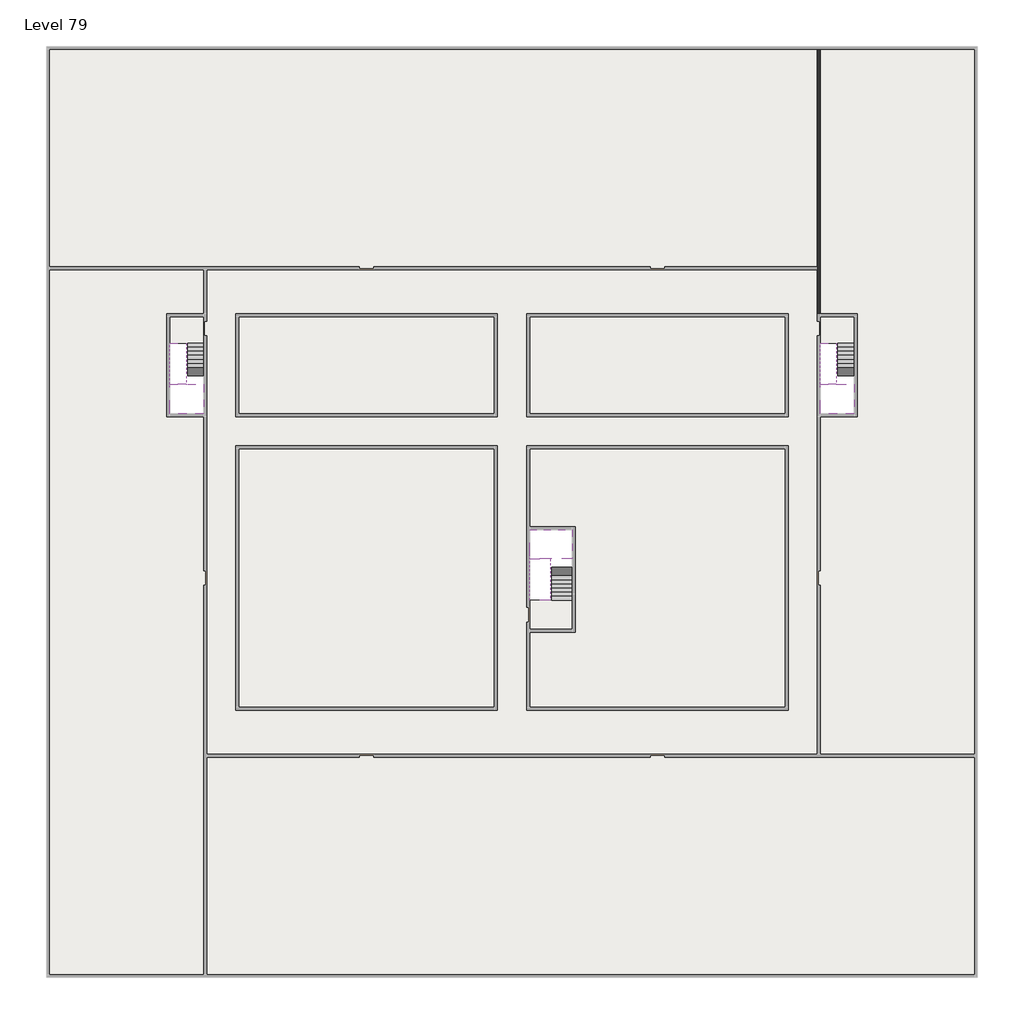
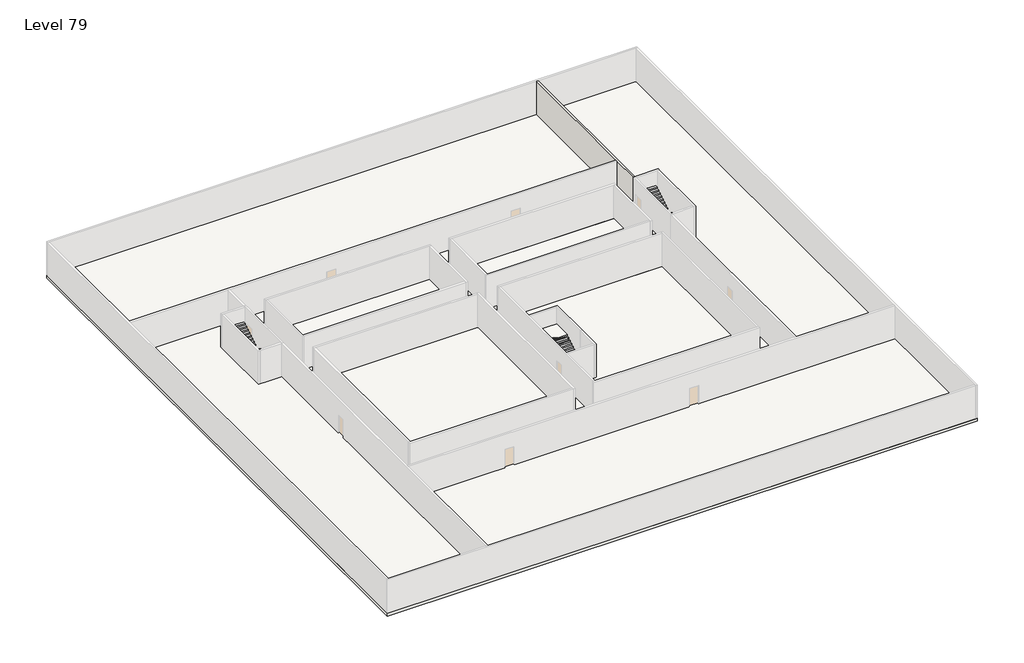
# One storey, part 2 of 2: 6 slabs, 6 stair flights, 1 wall.
"""IFC4 building model written with IfcOpenShell, lengths in millimetres."""

import ifcopenshell
import ifcopenshell.guid

model = None  # the IFC model being written
_history = None  # IfcOwnerHistory: only IFC2X3 demands one
_inside = {}  # id of a spatial element -> (the spatial element, [elements in it])
_under = {}  # id of a project, library or spatial element -> (it, [spatial elements below it])
_declared = {}  # id of a project -> (the project, [libraries it declares])
_typed = {}  # id of a type object -> (the type object, [elements of that type])
_made_of = {}  # id of a material, layer set ... -> (it, [elements and type objects made of it])


def new_model(schema):
    """Start an empty IFC model of exactly this schema.

    Asked for "IFC4X3", IfcOpenShell would pick the latest addendum, in which some entities
    have other attributes; the version numbers below select the first issue.
    IFC2X3 requires an IfcOwnerHistory on every rooted entity: one is made here for all.
    """
    global model, _history
    if schema == "IFC4X3":
        model = ifcopenshell.file(schema_version=(4, 3, 0, 0))
    else:
        model = ifcopenshell.file(schema=schema)
    _inside.clear()
    _under.clear()
    _declared.clear()
    _typed.clear()
    _made_of.clear()
    _history = None
    if model.schema == "IFC2X3":
        org = make("IfcOrganization", Name="unknown")
        user = make(
            "IfcPersonAndOrganization",
            ThePerson=make("IfcPerson", FamilyName="unknown"),
            TheOrganization=org,
        )
        app = make(
            "IfcApplication",
            ApplicationDeveloper=org,
            Version="unknown",
            ApplicationFullName="unknown",
            ApplicationIdentifier="unknown",
        )
        _history = make(
            "IfcOwnerHistory",
            OwningUser=user,
            OwningApplication=app,
            ChangeAction="ADDED",
            CreationDate=0,
        )
    return model


def make(cls, **values):
    """One entity of the class cls with the attributes given. An attribute that is None is left unset."""
    return model.create_entity(
        cls, **{name: value for name, value in values.items() if value is not None}
    )


def rooted(cls, **values):
    """An entity with a GlobalId (a new one), such as an element, a storey or a relation."""
    return make(cls, GlobalId=ifcopenshell.guid.new(), OwnerHistory=_history, **values)


def si_unit(unit_type, name, prefix=None):
    """IfcSIUnit, for example si_unit("LENGTHUNIT", "METRE", prefix="MILLI")."""
    return make("IfcSIUnit", UnitType=unit_type, Prefix=prefix, Name=name)


def assignment(units):
    """IfcUnitAssignment: the units of a project."""
    return None if units is None else make("IfcUnitAssignment", Units=units)


def point(xyz):
    """IfcCartesianPoint."""
    return None if xyz is None else make("IfcCartesianPoint", Coordinates=xyz)


def direction(xyz):
    """IfcDirection."""
    return None if xyz is None else make("IfcDirection", DirectionRatios=xyz)


def frame(location, z_axis=None, x_axis=None):
    """IfcAxis2Placement3D, a coordinate frame: its origin and axes. An axis left out is left unset."""
    return make(
        "IfcAxis2Placement3D",
        Location=point(location),
        Axis=direction(z_axis),
        RefDirection=direction(x_axis),
    )


def origin():
    """The frame at (0, 0, 0) with its axes left unset."""
    return frame((0.0, 0.0, 0.0))


def place(relative_to, where):
    """IfcLocalPlacement: puts the frame where relative to a parent placement (None: the world)."""
    return make(
        "IfcLocalPlacement", PlacementRelTo=relative_to, RelativePlacement=where
    )


def context(
    kind, dimensions, precision=None, world=None, true_north=None, identifier=None
):
    """IfcGeometricRepresentationContext, for example the 3D "Model" context."""
    return make(
        "IfcGeometricRepresentationContext",
        ContextIdentifier=identifier,
        ContextType=kind,
        CoordinateSpaceDimension=dimensions,
        Precision=precision,
        WorldCoordinateSystem=world,
        TrueNorth=true_north,
    )


def project(units=None, contexts=None):
    """IfcProject with its units and contexts."""
    return rooted(
        "IfcProject",
        Name="project",
        RepresentationContexts=contexts,
        UnitsInContext=assignment(units),
    )


def spatial(cls, under=None, at=None, **own):
    """A site, building, storey or space (cls), placed at a placement, below another one or the project."""
    s = rooted(cls, ObjectPlacement=at, **own)
    if under is not None:
        _under.setdefault(under.id(), (under, []))[1].append(s)
    return s


def polyline(points):
    """IfcPolyline through the points."""
    return make("IfcPolyline", Points=[point(p) for p in points])


def outline(outer, holes=None, kind="AREA"):
    """IfcArbitraryClosedProfileDef: a profile drawn as a closed curve; with holes, ...WithVoids."""
    if holes is None:
        return make("IfcArbitraryClosedProfileDef", ProfileType=kind, OuterCurve=outer)
    return make(
        "IfcArbitraryProfileDefWithVoids",
        ProfileType=kind,
        OuterCurve=outer,
        InnerCurves=holes,
    )


def extrude(swept, where, along, depth):
    """IfcExtrudedAreaSolid: the profile swept, set in the frame where, extruded along a direction by depth."""
    return make(
        "IfcExtrudedAreaSolid",
        SweptArea=swept,
        Position=where,
        ExtrudedDirection=direction(along),
        Depth=depth,
    )


def faces_of(points, faces, orient=None, outer=None):
    """IfcFace entities. A face is a list of loops; a loop is a list of indices into points, from 0.

    orient and outer hold one flag for each loop. By default every Orientation is true, the
    first loop of a face is its IfcFaceOuterBound and the others are IfcFaceBound.
    """
    made = []
    for i, loops in enumerate(faces):
        bounds = []
        for j, loop in enumerate(loops):
            is_outer = j == 0 if outer is None else outer[i][j]
            bounds.append(
                make(
                    "IfcFaceOuterBound" if is_outer else "IfcFaceBound",
                    Bound=make("IfcPolyLoop", Polygon=[points[k] for k in loop]),
                    Orientation=True if orient is None else orient[i][j],
                )
            )
        made.append(make("IfcFace", Bounds=bounds))
    return made


def faceted_brep(points, faces, orient=None, outer=None, voids=None):
    """IfcFacetedBrep: a solid bounded by flat faces; with voids (closed shells), ...WithVoids."""
    shared = [point(p) for p in points]
    hull = make("IfcClosedShell", CfsFaces=faces_of(shared, faces, orient, outer))
    if voids is None:
        return make("IfcFacetedBrep", Outer=hull)
    return make(
        "IfcFacetedBrepWithVoids",
        Outer=hull,
        Voids=[
            make(cls, CfsFaces=faces_of(shared, fs, o, b)) for cls, fs, o, b in voids
        ],
    )


def shape(context_of_items, identifier, shape_type, items):
    """IfcShapeRepresentation: the items that make up one representation, for example the "Body"."""
    return make(
        "IfcShapeRepresentation",
        ContextOfItems=context_of_items,
        RepresentationIdentifier=identifier,
        RepresentationType=shape_type,
        Items=items,
    )


def made_of(thing, what):
    """Note that an element or type object is made of a material, layer set ...; save() writes the relation."""
    if what is not None:
        _made_of.setdefault(what.id(), (what, []))[1].append(thing)
    return thing


def element(
    cls,
    number,
    at=None,
    inside=None,
    cuts=None,
    type_object=None,
    material=None,
    context=None,
    identifier="Body",
    shape_type=None,
    held_by="IfcProductDefinitionShape",
    body=None,
    shapes=None,
    **own,
):
    """One element of the class cls, such as IfcWall. Its Tag is "e" and its number.

    at: its placement. inside: the storey or other place that contains it. cuts: it is an
    opening in that element (IfcRelVoidsElement). A single representation is given by context,
    identifier, shape_type and body (its items); several are given by shapes. held_by: the class
    of the entity that holds the representations. save() writes the other relations.
    """
    e = rooted(cls, Tag="e%d" % number, ObjectPlacement=at, **own)
    if body is not None:
        shapes = [shape(context, identifier, shape_type, body)]
    if shapes is not None:
        e.Representation = make(held_by, Representations=shapes)
    if inside is not None:
        _inside.setdefault(inside.id(), (inside, []))[1].append(e)
    if cuts is not None:
        rooted(
            "IfcRelVoidsElement", RelatingBuildingElement=cuts, RelatedOpeningElement=e
        )
    if type_object is not None:
        _typed.setdefault(type_object.id(), (type_object, []))[1].append(e)
    return made_of(e, material)


def aggregate(whole, parts):
    """IfcRelAggregates: a whole, such as a stair, and the parts it consists of."""
    return rooted("IfcRelAggregates", RelatingObject=whole, RelatedObjects=parts)


def save(model, path):
    """Write the relations noted so far, then the file.

    IfcRelAggregates (storeys below a building ...), IfcRelContainedInSpatialStructure (elements
    in a storey), IfcRelDefinesByType, IfcRelAssociatesMaterial and IfcRelDeclares: one each for
    every whole, place, type object, material and project.
    """
    for whole, parts in _under.values():
        aggregate(whole, parts)
    for where, things in _inside.values():
        rooted(
            "IfcRelContainedInSpatialStructure",
            RelatedElements=things,
            RelatingStructure=where,
        )
    for kind, things in _typed.values():
        rooted("IfcRelDefinesByType", RelatedObjects=things, RelatingType=kind)
    for what, things in _made_of.values():
        rooted("IfcRelAssociatesMaterial", RelatedObjects=things, RelatingMaterial=what)
    for by, libraries in _declared.values():
        rooted("IfcRelDeclares", RelatingContext=by, RelatedDefinitions=libraries)
    model.write(path)


model = new_model("IFC4")

# Units and contexts
model_context = context("Model", 3, world=origin())
ifc_project = project(units=[si_unit("LENGTHUNIT", "METRE", prefix="MILLI")], contexts=[model_context])

# Site, building, storey
site = spatial("IfcSite", under=ifc_project)
building = spatial("IfcBuilding", under=site)
storey = spatial("IfcBuildingStorey", under=building, Name="Level 79", Elevation=296400.0)

# Slabs
placement = place(None, origin())
element("IfcSlab", 1, at=placement, inside=storey, context=model_context, shape_type="SweptSolid", body=[
    extrude(outline(polyline([(55890.1058784, -5518.09644), (55890.1058784, -68918.09644), (-7509.8941216, -68918.09644), (-7509.8941216, -5518.09644), (55890.1058784, -5518.09644)]), holes=[polyline([(22990.1058784, -23918.09644), (5590.1058784, -23918.09644), (5590.1058784, -30518.09644), (22990.1058784, -30518.09644), (22990.1058784, -23918.09644)]), polyline([(42990.1058784, -23918.09644), (25390.1058784, -23918.09644), (25390.1058784, -30518.09644), (42990.1058784, -30518.09644), (42990.1058784, -23918.09644)]), polyline([(25390.1058784, -50518.09644), (42790.1058784, -50518.09644), (42790.1058784, -32918.09644), (25390.1058784, -32918.09644), (25390.1058784, -50518.09644)]), polyline([(22990.1058784, -32918.09644), (5590.1058784, -32918.09644), (5590.1058784, -50518.09644), (22990.1058784, -50518.09644), (22990.1058784, -32918.09644)]), polyline([(3190.1058784, -23918.09644), (890.1058784, -23918.09644), (890.1058784, -30518.09644), (3190.1058784, -30518.09644), (3190.1058784, -23918.09644)]), polyline([(47490.1058784, -23918.09644), (45190.1058784, -23918.09644), (45190.1058784, -30518.09644), (47490.1058784, -30518.09644), (47490.1058784, -23918.09644)])]), frame((0.0, 0.0, 296100.0), z_axis=(0.0, 0.0, 1.0), x_axis=(1.0, 0.0, 0.0)), (0.0, 0.0, 1.0), 300.0),
])
element("IfcSlab", 2, at=placement, inside=storey, context=model_context, shape_type="SweptSolid", body=[
    extrude(outline(polyline([(22990.1058784, -23918.09644), (22990.1058784, -30518.09644), (5590.1058784, -30518.09644), (5590.1058784, -23918.09644), (22990.1058784, -23918.09644)])), frame((0.0, 0.0, 296100.0), z_axis=(0.0, 0.0, 1.0), x_axis=(1.0, 0.0, 0.0)), (0.0, 0.0, 1.0), 300.0),
    extrude(outline(polyline([(42990.1058784, -23918.09644), (42990.1058784, -30518.09644), (25390.1058784, -30518.09644), (25390.1058784, -23918.09644), (42990.1058784, -23918.09644)])), frame((0.0, 0.0, 296100.0), z_axis=(0.0, 0.0, 1.0), x_axis=(1.0, 0.0, 0.0)), (0.0, 0.0, 1.0), 300.0),
    extrude(outline(polyline([(22990.1058784, -32918.09644), (22990.1058784, -50518.09644), (5590.1058784, -50518.09644), (5590.1058784, -32918.09644), (22990.1058784, -32918.09644)])), frame((0.0, 0.0, 296100.0), z_axis=(0.0, 0.0, 1.0), x_axis=(1.0, 0.0, 0.0)), (0.0, 0.0, 1.0), 300.0),
    extrude(outline(polyline([(25390.1058784, -38218.09644), (25390.1058784, -32918.09644), (42790.1058784, -32918.09644), (42790.1058784, -50518.09644), (25390.1058784, -50518.09644), (25390.1058784, -45418.09644), (28490.1058784, -45418.09644), (28490.1058784, -38218.09644), (25390.1058784, -38218.09644)])), frame((0.0, 0.0, 296100.0), z_axis=(0.0, 0.0, 1.0), x_axis=(1.0, 0.0, 0.0)), (0.0, 0.0, 1.0), 300.0),
])
element("IfcSlab", 3, at=placement, inside=storey, context=model_context, shape_type="Brep", body=[
    faceted_brep([(3190.1058784, -28518.09644, 298300.0), (2090.1058784, -28518.09644, 298300.0), (1990.1058784, -28518.09644, 298300.0), (890.1058784, -28518.09644, 298300.0), (890.1058784, -28718.7100038, 298300.0), (890.1058784, -30518.09644, 298300.0), (3190.1058784, -30518.09644, 298300.0), (3190.1058784, -28597.4828763, 298300.0), (3190.1058784, -28518.09644, 298127.2727273), (3190.1058784, -28518.09644, 297951.0278478), (2090.1058784, -28518.09644, 297951.0278478), (2090.1058784, -28518.09644, 298000.0), (1990.1058784, -28518.09644, 298000.0), (1990.1058784, -28518.09644, 298123.7551205), (890.1058784, -28518.09644, 298123.7551205), (890.1058784, -28718.7100038, 298000.0), (890.1058784, -30518.09644, 298000.0), (3190.1058784, -30518.09644, 298000.0), (3190.1058784, -28597.4828763, 298000.0), (1990.1058784, -28718.7100038, 298000.0), (2090.1058784, -28597.4828763, 298000.0)], [[[0, 1, 2, 3, 4, 5, 6, 7]], [[1, 0, 8, 9, 10, 11]], [[2, 1, 11, 12, 13]], [[3, 2, 13, 14]], [[3, 14, 15, 16, 5, 4]], [[6, 5, 16, 17]], [[9, 8, 0, 7, 6, 17, 18]], [[19, 12, 11, 20, 18, 17, 16, 15]], [[12, 19, 13]], [[18, 20, 10, 9]], [[20, 11, 10]], [[19, 15, 14, 13]]]),
])
element("IfcSlab", 4, at=placement, inside=storey, context=model_context, shape_type="Brep", body=[
    faceted_brep([(47490.1058784, -28518.09644, 298300.0), (46390.1058784, -28518.09644, 298300.0), (46290.1058784, -28518.09644, 298300.0), (45190.1058784, -28518.09644, 298300.0), (45190.1058784, -28718.7100038, 298300.0), (45190.1058784, -30518.09644, 298300.0), (47490.1058784, -30518.09644, 298300.0), (47490.1058784, -28597.4828763, 298300.0), (47490.1058784, -28518.09644, 298127.2727273), (47490.1058784, -28518.09644, 297951.0278478), (46390.1058784, -28518.09644, 297951.0278478), (46390.1058784, -28518.09644, 298000.0), (46290.1058784, -28518.09644, 298000.0), (46290.1058784, -28518.09644, 298123.7551205), (45190.1058784, -28518.09644, 298123.7551205), (45190.1058784, -28718.7100038, 298000.0), (45190.1058784, -30518.09644, 298000.0), (47490.1058784, -30518.09644, 298000.0), (47490.1058784, -28597.4828763, 298000.0), (46290.1058784, -28718.7100038, 298000.0), (46390.1058784, -28597.4828763, 298000.0)], [[[0, 1, 2, 3, 4, 5, 6, 7]], [[1, 0, 8, 9, 10, 11]], [[2, 1, 11, 12, 13]], [[3, 2, 13, 14]], [[3, 14, 15, 16, 5, 4]], [[6, 5, 16, 17]], [[9, 8, 0, 7, 6, 17, 18]], [[19, 12, 11, 20, 18, 17, 16, 15]], [[12, 19, 13]], [[18, 20, 10, 9]], [[20, 11, 10]], [[19, 15, 14, 13]]]),
])
element("IfcSlab", 5, at=placement, inside=storey, context=model_context, shape_type="Brep", body=[
    faceted_brep([(26890.1058784, -40418.09644, 298300.0), (28290.1058784, -40418.09644, 298300.0), (28290.1058784, -40338.7100038, 298300.0), (28290.1058784, -38418.09644, 298300.0), (25390.1058784, -38418.09644, 298300.0), (25390.1058784, -40217.4828763, 298300.0), (25390.1058784, -40418.09644, 298300.0), (26790.1058784, -40418.09644, 298300.0), (26890.1058784, -40418.09644, 298000.0), (26890.1058784, -40418.09644, 297951.0278478), (28290.1058784, -40418.09644, 297951.0278478), (28290.1058784, -40418.09644, 298127.2727273), (28290.1058784, -40338.7100038, 298000.0), (28290.1058784, -38418.09644, 298000.0), (25390.1058784, -38418.09644, 298000.0), (25390.1058784, -40217.4828763, 298000.0), (25390.1058784, -40418.09644, 298123.7551205), (26790.1058784, -40418.09644, 298123.7551205), (26790.1058784, -40418.09644, 298000.0), (26790.1058784, -40217.4828763, 298000.0), (26890.1058784, -40338.7100038, 298000.0)], [[[0, 1, 2, 3, 4, 5, 6, 7]], [[1, 0, 8, 9, 10, 11]], [[1, 11, 10, 12, 13, 3, 2]], [[4, 3, 13, 14]], [[4, 14, 15, 16, 6, 5]], [[7, 6, 16, 17]], [[0, 7, 17, 18, 8]], [[18, 19, 15, 14, 13, 12, 20, 8]], [[19, 18, 17]], [[20, 12, 10, 9]], [[8, 20, 9]], [[15, 19, 17, 16]]]),
])
element("IfcSlab", 6, at=placement, inside=storey, context=model_context, shape_type="SweptSolid", body=[
    extrude(outline(polyline([(3190.1058784, -23918.09644), (3190.1058784, -25718.09644), (890.1058784, -25718.09644), (890.1058784, -23918.09644), (3190.1058784, -23918.09644)])), frame((0.0, 0.0, 296100.0), z_axis=(0.0, 0.0, 1.0), x_axis=(1.0, 0.0, 0.0)), (0.0, 0.0, 1.0), 300.0),
    extrude(outline(polyline([(47490.1058784, -23918.09644), (47490.1058784, -25718.09644), (45190.1058784, -25718.09644), (45190.1058784, -23918.09644), (47490.1058784, -23918.09644)])), frame((0.0, 0.0, 296100.0), z_axis=(0.0, 0.0, 1.0), x_axis=(1.0, 0.0, 0.0)), (0.0, 0.0, 1.0), 300.0),
    extrude(outline(polyline([(28290.1058784, -43218.09644), (28290.1058784, -45218.09644), (25390.1058784, -45218.09644), (25390.1058784, -43218.09644), (28290.1058784, -43218.09644)])), frame((0.0, 0.0, 296100.0), z_axis=(0.0, 0.0, 1.0), x_axis=(1.0, 0.0, 0.0)), (0.0, 0.0, 1.0), 300.0),
])

# Stair flights
element("IfcStairFlight", 7, at=placement, inside=storey, context=model_context, shape_type="Brep", body=[
    faceted_brep([(3190.1058784, -25998.09644, 296572.7272727), (3190.1058784, -25718.09644, 296572.7272727), (2090.1058784, -25718.09644, 296572.7272727), (2090.1058784, -25998.09644, 296572.7272727), (3190.1058784, -25998.09644, 296400.0), (3190.1058784, -25718.09644, 296400.0), (2090.1058784, -25718.09644, 296400.0), (2090.1058784, -25998.09644, 296400.0), (3190.1058784, -26278.09644, 296745.4545455), (3190.1058784, -25998.09644, 296745.4545455), (2090.1058784, -25998.09644, 296745.4545455), (2090.1058784, -26278.09644, 296745.4545455), (3190.1058784, -26278.09644, 296569.209666), (3190.1058784, -26003.7986657, 296400.0), (2090.1058784, -26003.7986657, 296400.0), (2090.1058784, -26278.09644, 296569.209666), (3190.1058784, -26558.09644, 296918.1818182), (3190.1058784, -26278.09644, 296918.1818182), (2090.1058784, -26278.09644, 296918.1818182), (2090.1058784, -26558.09644, 296918.1818182), (3190.1058784, -26558.09644, 296741.9369387), (2090.1058784, -26558.09644, 296741.9369387), (3190.1058784, -26838.09644, 297090.9090909), (3190.1058784, -26558.09644, 297090.9090909), (2090.1058784, -26558.09644, 297090.9090909), (2090.1058784, -26838.09644, 297090.9090909), (3190.1058784, -26838.09644, 296914.6642114), (2090.1058784, -26838.09644, 296914.6642114), (3190.1058784, -27118.09644, 297263.6363636), (3190.1058784, -26838.09644, 297263.6363636), (2090.1058784, -26838.09644, 297263.6363636), (2090.1058784, -27118.09644, 297263.6363636), (3190.1058784, -27118.09644, 297087.3914841), (2090.1058784, -27118.09644, 297087.3914841), (3190.1058784, -27398.09644, 297436.3636364), (3190.1058784, -27118.09644, 297436.3636364), (2090.1058784, -27118.09644, 297436.3636364), (2090.1058784, -27398.09644, 297436.3636364), (3190.1058784, -27398.09644, 297260.1187569), (2090.1058784, -27398.09644, 297260.1187569), (3190.1058784, -27678.09644, 297609.0909091), (3190.1058784, -27398.09644, 297609.0909091), (2090.1058784, -27398.09644, 297609.0909091), (2090.1058784, -27678.09644, 297609.0909091), (3190.1058784, -27678.09644, 297432.8460296), (2090.1058784, -27678.09644, 297432.8460296), (3190.1058784, -27958.09644, 297781.8181818), (3190.1058784, -27678.09644, 297781.8181818), (2090.1058784, -27678.09644, 297781.8181818), (2090.1058784, -27958.09644, 297781.8181818), (3190.1058784, -27958.09644, 297605.5733023), (2090.1058784, -27958.09644, 297605.5733023), (3190.1058784, -28238.09644, 297954.5454545), (3190.1058784, -27958.09644, 297954.5454545), (2090.1058784, -27958.09644, 297954.5454545), (2090.1058784, -28238.09644, 297954.5454545), (3190.1058784, -28238.09644, 297778.3005751), (2090.1058784, -28238.09644, 297778.3005751), (3190.1058784, -28518.09644, 298127.2727273), (3190.1058784, -28238.09644, 298127.2727273), (2090.1058784, -28238.09644, 298127.2727273), (2090.1058784, -28518.09644, 298127.2727273), (3190.1058784, -28518.09644, 297951.0278478), (2090.1058784, -28518.09644, 297951.0278478), (2090.1058784, -28518.09644, 298000.0)], [[[0, 1, 2, 3]], [[1, 0, 4, 5]], [[2, 1, 5, 6]], [[3, 2, 6, 7]], [[8, 9, 10, 11]], [[4, 0, 9, 8, 12, 13]], [[0, 3, 10, 9]], [[3, 7, 14, 15, 11, 10]], [[16, 17, 18, 19]], [[17, 16, 20, 12, 8]], [[8, 11, 18, 17]], [[19, 18, 11, 15, 21]], [[22, 23, 24, 25]], [[23, 22, 26, 20, 16]], [[16, 19, 24, 23]], [[25, 24, 19, 21, 27]], [[28, 29, 30, 31]], [[29, 28, 32, 26, 22]], [[22, 25, 30, 29]], [[31, 30, 25, 27, 33]], [[34, 35, 36, 37]], [[35, 34, 38, 32, 28]], [[28, 31, 36, 35]], [[37, 36, 31, 33, 39]], [[40, 41, 42, 43]], [[41, 40, 44, 38, 34]], [[34, 37, 42, 41]], [[43, 42, 37, 39, 45]], [[46, 47, 48, 49]], [[47, 46, 50, 44, 40]], [[40, 43, 48, 47]], [[49, 48, 43, 45, 51]], [[52, 53, 54, 55]], [[53, 52, 56, 50, 46]], [[46, 49, 54, 53]], [[55, 54, 49, 51, 57]], [[58, 59, 60, 61]], [[59, 58, 62, 56, 52]], [[52, 55, 60, 59]], [[61, 60, 55, 57, 63, 64]], [[58, 61, 64, 63, 62]], [[5, 4, 13, 14, 7, 6]], [[14, 13, 12, 20, 26, 32, 38, 44, 50, 56, 62, 63, 57, 51, 45, 39, 33, 27, 21, 15]]]),
])
element("IfcStairFlight", 8, at=placement, inside=storey, context=model_context, shape_type="Brep", body=[
    faceted_brep([(890.1058784, -28238.09644, 298472.7272727), (890.1058784, -28518.09644, 298472.7272727), (1990.1058784, -28518.09644, 298472.7272727), (1990.1058784, -28238.09644, 298472.7272727), (890.1058784, -28238.09644, 298296.4823932), (890.1058784, -28518.09644, 298123.7551205), (890.1058784, -28518.09644, 298300.0), (1990.1058784, -28518.09644, 298123.7551205), (1990.1058784, -28238.09644, 298296.4823932), (890.1058784, -27958.09644, 298645.4545455), (890.1058784, -28238.09644, 298645.4545455), (1990.1058784, -28238.09644, 298645.4545455), (1990.1058784, -27958.09644, 298645.4545455), (890.1058784, -27958.09644, 298469.209666), (1990.1058784, -27958.09644, 298469.209666), (890.1058784, -27678.09644, 298818.1818182), (890.1058784, -27958.09644, 298818.1818182), (1990.1058784, -27958.09644, 298818.1818182), (1990.1058784, -27678.09644, 298818.1818182), (890.1058784, -27678.09644, 298641.9369387), (1990.1058784, -27678.09644, 298641.9369387), (890.1058784, -27398.09644, 298990.9090909), (890.1058784, -27678.09644, 298990.9090909), (1990.1058784, -27678.09644, 298990.9090909), (1990.1058784, -27398.09644, 298990.9090909), (890.1058784, -27398.09644, 298814.6642114), (1990.1058784, -27398.09644, 298814.6642114), (890.1058784, -27118.09644, 299163.6363636), (890.1058784, -27398.09644, 299163.6363636), (1990.1058784, -27398.09644, 299163.6363636), (1990.1058784, -27118.09644, 299163.6363636), (890.1058784, -27118.09644, 298987.3914841), (1990.1058784, -27118.09644, 298987.3914841), (890.1058784, -26838.09644, 299336.3636364), (890.1058784, -27118.09644, 299336.3636364), (1990.1058784, -27118.09644, 299336.3636364), (1990.1058784, -26838.09644, 299336.3636364), (890.1058784, -26838.09644, 299160.1187569), (1990.1058784, -26838.09644, 299160.1187569), (890.1058784, -26558.09644, 299509.0909091), (890.1058784, -26838.09644, 299509.0909091), (1990.1058784, -26838.09644, 299509.0909091), (1990.1058784, -26558.09644, 299509.0909091), (890.1058784, -26558.09644, 299332.8460296), (1990.1058784, -26558.09644, 299332.8460296), (890.1058784, -26278.09644, 299681.8181818), (890.1058784, -26558.09644, 299681.8181818), (1990.1058784, -26558.09644, 299681.8181818), (1990.1058784, -26278.09644, 299681.8181818), (890.1058784, -26278.09644, 299505.5733023), (1990.1058784, -26278.09644, 299505.5733023), (890.1058784, -25998.09644, 299854.5454545), (890.1058784, -26278.09644, 299854.5454545), (1990.1058784, -26278.09644, 299854.5454545), (1990.1058784, -25998.09644, 299854.5454545), (890.1058784, -25998.09644, 299678.3005751), (1990.1058784, -25998.09644, 299678.3005751), (890.1058784, -25718.09644, 300027.2727273), (890.1058784, -25998.09644, 300027.2727273), (1990.1058784, -25998.09644, 300027.2727273), (1990.1058784, -25718.09644, 300027.2727273), (890.1058784, -25718.09644, 299851.0278478), (1990.1058784, -25718.09644, 299851.0278478)], [[[0, 1, 2, 3]], [[1, 0, 4, 5, 6]], [[2, 1, 6, 5, 7]], [[3, 2, 7, 8]], [[9, 10, 11, 12]], [[10, 9, 13, 4, 0]], [[11, 10, 0, 3]], [[12, 11, 3, 8, 14]], [[15, 16, 17, 18]], [[16, 15, 19, 13, 9]], [[17, 16, 9, 12]], [[18, 17, 12, 14, 20]], [[21, 22, 23, 24]], [[22, 21, 25, 19, 15]], [[23, 22, 15, 18]], [[24, 23, 18, 20, 26]], [[27, 28, 29, 30]], [[28, 27, 31, 25, 21]], [[29, 28, 21, 24]], [[30, 29, 24, 26, 32]], [[33, 34, 35, 36]], [[34, 33, 37, 31, 27]], [[35, 34, 27, 30]], [[36, 35, 30, 32, 38]], [[39, 40, 41, 42]], [[40, 39, 43, 37, 33]], [[41, 40, 33, 36]], [[42, 41, 36, 38, 44]], [[45, 46, 47, 48]], [[46, 45, 49, 43, 39]], [[47, 46, 39, 42]], [[48, 47, 42, 44, 50]], [[51, 52, 53, 54]], [[52, 51, 55, 49, 45]], [[53, 52, 45, 48]], [[54, 53, 48, 50, 56]], [[57, 58, 59, 60]], [[58, 57, 61, 55, 51]], [[59, 58, 51, 54]], [[60, 59, 54, 56, 62]], [[57, 60, 62, 61]], [[5, 4, 13, 19, 25, 31, 37, 43, 49, 55, 61, 62, 56, 50, 44, 38, 32, 26, 20, 14, 8, 7]]]),
])
element("IfcStairFlight", 9, at=placement, inside=storey, context=model_context, shape_type="Brep", body=[
    faceted_brep([(47490.1058784, -25998.09644, 296572.7272727), (47490.1058784, -25718.09644, 296572.7272727), (46390.1058784, -25718.09644, 296572.7272727), (46390.1058784, -25998.09644, 296572.7272727), (47490.1058784, -25998.09644, 296400.0), (47490.1058784, -25718.09644, 296400.0), (46390.1058784, -25718.09644, 296400.0), (46390.1058784, -25998.09644, 296400.0), (47490.1058784, -26278.09644, 296745.4545455), (47490.1058784, -25998.09644, 296745.4545455), (46390.1058784, -25998.09644, 296745.4545455), (46390.1058784, -26278.09644, 296745.4545455), (47490.1058784, -26278.09644, 296569.209666), (47490.1058784, -26003.7986657, 296400.0), (46390.1058784, -26003.7986657, 296400.0), (46390.1058784, -26278.09644, 296569.209666), (47490.1058784, -26558.09644, 296918.1818182), (47490.1058784, -26278.09644, 296918.1818182), (46390.1058784, -26278.09644, 296918.1818182), (46390.1058784, -26558.09644, 296918.1818182), (47490.1058784, -26558.09644, 296741.9369387), (46390.1058784, -26558.09644, 296741.9369387), (47490.1058784, -26838.09644, 297090.9090909), (47490.1058784, -26558.09644, 297090.9090909), (46390.1058784, -26558.09644, 297090.9090909), (46390.1058784, -26838.09644, 297090.9090909), (47490.1058784, -26838.09644, 296914.6642114), (46390.1058784, -26838.09644, 296914.6642114), (47490.1058784, -27118.09644, 297263.6363636), (47490.1058784, -26838.09644, 297263.6363636), (46390.1058784, -26838.09644, 297263.6363636), (46390.1058784, -27118.09644, 297263.6363636), (47490.1058784, -27118.09644, 297087.3914841), (46390.1058784, -27118.09644, 297087.3914841), (47490.1058784, -27398.09644, 297436.3636364), (47490.1058784, -27118.09644, 297436.3636364), (46390.1058784, -27118.09644, 297436.3636364), (46390.1058784, -27398.09644, 297436.3636364), (47490.1058784, -27398.09644, 297260.1187569), (46390.1058784, -27398.09644, 297260.1187569), (47490.1058784, -27678.09644, 297609.0909091), (47490.1058784, -27398.09644, 297609.0909091), (46390.1058784, -27398.09644, 297609.0909091), (46390.1058784, -27678.09644, 297609.0909091), (47490.1058784, -27678.09644, 297432.8460296), (46390.1058784, -27678.09644, 297432.8460296), (47490.1058784, -27958.09644, 297781.8181818), (47490.1058784, -27678.09644, 297781.8181818), (46390.1058784, -27678.09644, 297781.8181818), (46390.1058784, -27958.09644, 297781.8181818), (47490.1058784, -27958.09644, 297605.5733023), (46390.1058784, -27958.09644, 297605.5733023), (47490.1058784, -28238.09644, 297954.5454545), (47490.1058784, -27958.09644, 297954.5454545), (46390.1058784, -27958.09644, 297954.5454545), (46390.1058784, -28238.09644, 297954.5454545), (47490.1058784, -28238.09644, 297778.3005751), (46390.1058784, -28238.09644, 297778.3005751), (47490.1058784, -28518.09644, 298127.2727273), (47490.1058784, -28238.09644, 298127.2727273), (46390.1058784, -28238.09644, 298127.2727273), (46390.1058784, -28518.09644, 298127.2727273), (47490.1058784, -28518.09644, 297951.0278478), (46390.1058784, -28518.09644, 297951.0278478), (46390.1058784, -28518.09644, 298000.0)], [[[0, 1, 2, 3]], [[1, 0, 4, 5]], [[2, 1, 5, 6]], [[3, 2, 6, 7]], [[8, 9, 10, 11]], [[4, 0, 9, 8, 12, 13]], [[0, 3, 10, 9]], [[3, 7, 14, 15, 11, 10]], [[16, 17, 18, 19]], [[17, 16, 20, 12, 8]], [[8, 11, 18, 17]], [[19, 18, 11, 15, 21]], [[22, 23, 24, 25]], [[23, 22, 26, 20, 16]], [[16, 19, 24, 23]], [[25, 24, 19, 21, 27]], [[28, 29, 30, 31]], [[29, 28, 32, 26, 22]], [[22, 25, 30, 29]], [[31, 30, 25, 27, 33]], [[34, 35, 36, 37]], [[35, 34, 38, 32, 28]], [[28, 31, 36, 35]], [[37, 36, 31, 33, 39]], [[40, 41, 42, 43]], [[41, 40, 44, 38, 34]], [[34, 37, 42, 41]], [[43, 42, 37, 39, 45]], [[46, 47, 48, 49]], [[47, 46, 50, 44, 40]], [[40, 43, 48, 47]], [[49, 48, 43, 45, 51]], [[52, 53, 54, 55]], [[53, 52, 56, 50, 46]], [[46, 49, 54, 53]], [[55, 54, 49, 51, 57]], [[58, 59, 60, 61]], [[59, 58, 62, 56, 52]], [[52, 55, 60, 59]], [[61, 60, 55, 57, 63, 64]], [[58, 61, 64, 63, 62]], [[5, 4, 13, 14, 7, 6]], [[14, 13, 12, 20, 26, 32, 38, 44, 50, 56, 62, 63, 57, 51, 45, 39, 33, 27, 21, 15]]]),
])
element("IfcStairFlight", 10, at=placement, inside=storey, context=model_context, shape_type="Brep", body=[
    faceted_brep([(45190.1058784, -28238.09644, 298472.7272727), (45190.1058784, -28518.09644, 298472.7272727), (46290.1058784, -28518.09644, 298472.7272727), (46290.1058784, -28238.09644, 298472.7272727), (45190.1058784, -28238.09644, 298296.4823932), (45190.1058784, -28518.09644, 298123.7551205), (45190.1058784, -28518.09644, 298300.0), (46290.1058784, -28518.09644, 298123.7551205), (46290.1058784, -28238.09644, 298296.4823932), (45190.1058784, -27958.09644, 298645.4545455), (45190.1058784, -28238.09644, 298645.4545455), (46290.1058784, -28238.09644, 298645.4545455), (46290.1058784, -27958.09644, 298645.4545455), (45190.1058784, -27958.09644, 298469.209666), (46290.1058784, -27958.09644, 298469.209666), (45190.1058784, -27678.09644, 298818.1818182), (45190.1058784, -27958.09644, 298818.1818182), (46290.1058784, -27958.09644, 298818.1818182), (46290.1058784, -27678.09644, 298818.1818182), (45190.1058784, -27678.09644, 298641.9369387), (46290.1058784, -27678.09644, 298641.9369387), (45190.1058784, -27398.09644, 298990.9090909), (45190.1058784, -27678.09644, 298990.9090909), (46290.1058784, -27678.09644, 298990.9090909), (46290.1058784, -27398.09644, 298990.9090909), (45190.1058784, -27398.09644, 298814.6642114), (46290.1058784, -27398.09644, 298814.6642114), (45190.1058784, -27118.09644, 299163.6363636), (45190.1058784, -27398.09644, 299163.6363636), (46290.1058784, -27398.09644, 299163.6363636), (46290.1058784, -27118.09644, 299163.6363636), (45190.1058784, -27118.09644, 298987.3914841), (46290.1058784, -27118.09644, 298987.3914841), (45190.1058784, -26838.09644, 299336.3636364), (45190.1058784, -27118.09644, 299336.3636364), (46290.1058784, -27118.09644, 299336.3636364), (46290.1058784, -26838.09644, 299336.3636364), (45190.1058784, -26838.09644, 299160.1187569), (46290.1058784, -26838.09644, 299160.1187569), (45190.1058784, -26558.09644, 299509.0909091), (45190.1058784, -26838.09644, 299509.0909091), (46290.1058784, -26838.09644, 299509.0909091), (46290.1058784, -26558.09644, 299509.0909091), (45190.1058784, -26558.09644, 299332.8460296), (46290.1058784, -26558.09644, 299332.8460296), (45190.1058784, -26278.09644, 299681.8181818), (45190.1058784, -26558.09644, 299681.8181818), (46290.1058784, -26558.09644, 299681.8181818), (46290.1058784, -26278.09644, 299681.8181818), (45190.1058784, -26278.09644, 299505.5733023), (46290.1058784, -26278.09644, 299505.5733023), (45190.1058784, -25998.09644, 299854.5454545), (45190.1058784, -26278.09644, 299854.5454545), (46290.1058784, -26278.09644, 299854.5454545), (46290.1058784, -25998.09644, 299854.5454545), (45190.1058784, -25998.09644, 299678.3005751), (46290.1058784, -25998.09644, 299678.3005751), (45190.1058784, -25718.09644, 300027.2727273), (45190.1058784, -25998.09644, 300027.2727273), (46290.1058784, -25998.09644, 300027.2727273), (46290.1058784, -25718.09644, 300027.2727273), (45190.1058784, -25718.09644, 299851.0278478), (46290.1058784, -25718.09644, 299851.0278478)], [[[0, 1, 2, 3]], [[1, 0, 4, 5, 6]], [[2, 1, 6, 5, 7]], [[3, 2, 7, 8]], [[9, 10, 11, 12]], [[10, 9, 13, 4, 0]], [[11, 10, 0, 3]], [[12, 11, 3, 8, 14]], [[15, 16, 17, 18]], [[16, 15, 19, 13, 9]], [[17, 16, 9, 12]], [[18, 17, 12, 14, 20]], [[21, 22, 23, 24]], [[22, 21, 25, 19, 15]], [[23, 22, 15, 18]], [[24, 23, 18, 20, 26]], [[27, 28, 29, 30]], [[28, 27, 31, 25, 21]], [[29, 28, 21, 24]], [[30, 29, 24, 26, 32]], [[33, 34, 35, 36]], [[34, 33, 37, 31, 27]], [[35, 34, 27, 30]], [[36, 35, 30, 32, 38]], [[39, 40, 41, 42]], [[40, 39, 43, 37, 33]], [[41, 40, 33, 36]], [[42, 41, 36, 38, 44]], [[45, 46, 47, 48]], [[46, 45, 49, 43, 39]], [[47, 46, 39, 42]], [[48, 47, 42, 44, 50]], [[51, 52, 53, 54]], [[52, 51, 55, 49, 45]], [[53, 52, 45, 48]], [[54, 53, 48, 50, 56]], [[57, 58, 59, 60]], [[58, 57, 61, 55, 51]], [[59, 58, 51, 54]], [[60, 59, 54, 56, 62]], [[57, 60, 62, 61]], [[5, 4, 13, 19, 25, 31, 37, 43, 49, 55, 61, 62, 56, 50, 44, 38, 32, 26, 20, 14, 8, 7]]]),
])
element("IfcStairFlight", 11, at=placement, inside=storey, context=model_context, shape_type="Brep", body=[
    faceted_brep([(26890.1058784, -42938.09644, 296572.7272727), (26890.1058784, -43218.09644, 296572.7272727), (28290.1058784, -43218.09644, 296572.7272727), (28290.1058784, -42938.09644, 296572.7272727), (26890.1058784, -42938.09644, 296400.0), (26890.1058784, -43218.09644, 296400.0), (28290.1058784, -43218.09644, 296400.0), (28290.1058784, -42938.09644, 296400.0), (26890.1058784, -42658.09644, 296745.4545455), (26890.1058784, -42938.09644, 296745.4545455), (28290.1058784, -42938.09644, 296745.4545455), (28290.1058784, -42658.09644, 296745.4545455), (26890.1058784, -42658.09644, 296569.209666), (26890.1058784, -42932.3942143, 296400.0), (28290.1058784, -42932.3942143, 296400.0), (28290.1058784, -42658.09644, 296569.209666), (26890.1058784, -42378.09644, 296918.1818182), (26890.1058784, -42658.09644, 296918.1818182), (28290.1058784, -42658.09644, 296918.1818182), (28290.1058784, -42378.09644, 296918.1818182), (26890.1058784, -42378.09644, 296741.9369387), (28290.1058784, -42378.09644, 296741.9369387), (26890.1058784, -42098.09644, 297090.9090909), (26890.1058784, -42378.09644, 297090.9090909), (28290.1058784, -42378.09644, 297090.9090909), (28290.1058784, -42098.09644, 297090.9090909), (26890.1058784, -42098.09644, 296914.6642114), (28290.1058784, -42098.09644, 296914.6642114), (26890.1058784, -41818.09644, 297263.6363636), (26890.1058784, -42098.09644, 297263.6363636), (28290.1058784, -42098.09644, 297263.6363636), (28290.1058784, -41818.09644, 297263.6363636), (26890.1058784, -41818.09644, 297087.3914841), (28290.1058784, -41818.09644, 297087.3914841), (26890.1058784, -41538.09644, 297436.3636364), (26890.1058784, -41818.09644, 297436.3636364), (28290.1058784, -41818.09644, 297436.3636364), (28290.1058784, -41538.09644, 297436.3636364), (26890.1058784, -41538.09644, 297260.1187569), (28290.1058784, -41538.09644, 297260.1187569), (26890.1058784, -41258.09644, 297609.0909091), (26890.1058784, -41538.09644, 297609.0909091), (28290.1058784, -41538.09644, 297609.0909091), (28290.1058784, -41258.09644, 297609.0909091), (26890.1058784, -41258.09644, 297432.8460296), (28290.1058784, -41258.09644, 297432.8460296), (26890.1058784, -40978.09644, 297781.8181818), (26890.1058784, -41258.09644, 297781.8181818), (28290.1058784, -41258.09644, 297781.8181818), (28290.1058784, -40978.09644, 297781.8181818), (26890.1058784, -40978.09644, 297605.5733023), (28290.1058784, -40978.09644, 297605.5733023), (26890.1058784, -40698.09644, 297954.5454545), (26890.1058784, -40978.09644, 297954.5454545), (28290.1058784, -40978.09644, 297954.5454545), (28290.1058784, -40698.09644, 297954.5454545), (26890.1058784, -40698.09644, 297778.3005751), (28290.1058784, -40698.09644, 297778.3005751), (26890.1058784, -40418.09644, 298127.2727273), (26890.1058784, -40698.09644, 298127.2727273), (28290.1058784, -40698.09644, 298127.2727273), (28290.1058784, -40418.09644, 298127.2727273), (26890.1058784, -40418.09644, 298000.0), (26890.1058784, -40418.09644, 297951.0278478), (28290.1058784, -40418.09644, 297951.0278478)], [[[0, 1, 2, 3]], [[1, 0, 4, 5]], [[2, 1, 5, 6]], [[3, 2, 6, 7]], [[8, 9, 10, 11]], [[4, 0, 9, 8, 12, 13]], [[0, 3, 10, 9]], [[3, 7, 14, 15, 11, 10]], [[16, 17, 18, 19]], [[17, 16, 20, 12, 8]], [[8, 11, 18, 17]], [[19, 18, 11, 15, 21]], [[22, 23, 24, 25]], [[23, 22, 26, 20, 16]], [[16, 19, 24, 23]], [[25, 24, 19, 21, 27]], [[28, 29, 30, 31]], [[29, 28, 32, 26, 22]], [[22, 25, 30, 29]], [[31, 30, 25, 27, 33]], [[34, 35, 36, 37]], [[35, 34, 38, 32, 28]], [[28, 31, 36, 35]], [[37, 36, 31, 33, 39]], [[40, 41, 42, 43]], [[41, 40, 44, 38, 34]], [[34, 37, 42, 41]], [[43, 42, 37, 39, 45]], [[46, 47, 48, 49]], [[47, 46, 50, 44, 40]], [[40, 43, 48, 47]], [[49, 48, 43, 45, 51]], [[52, 53, 54, 55]], [[53, 52, 56, 50, 46]], [[46, 49, 54, 53]], [[55, 54, 49, 51, 57]], [[58, 59, 60, 61]], [[59, 58, 62, 63, 56, 52]], [[52, 55, 60, 59]], [[61, 60, 55, 57, 64]], [[58, 61, 64, 63, 62]], [[5, 4, 13, 14, 7, 6]], [[14, 13, 12, 20, 26, 32, 38, 44, 50, 56, 63, 64, 57, 51, 45, 39, 33, 27, 21, 15]]]),
])
element("IfcStairFlight", 12, at=placement, inside=storey, context=model_context, shape_type="Brep", body=[
    faceted_brep([(26790.1058784, -40698.09644, 298472.7272727), (26790.1058784, -40418.09644, 298472.7272727), (25390.1058784, -40418.09644, 298472.7272727), (25390.1058784, -40698.09644, 298472.7272727), (26790.1058784, -40698.09644, 298296.4823932), (26790.1058784, -40418.09644, 298123.7551205), (25390.1058784, -40418.09644, 298123.7551205), (25390.1058784, -40418.09644, 298300.0), (25390.1058784, -40698.09644, 298296.4823932), (26790.1058784, -40978.09644, 298645.4545455), (26790.1058784, -40698.09644, 298645.4545455), (25390.1058784, -40698.09644, 298645.4545455), (25390.1058784, -40978.09644, 298645.4545455), (26790.1058784, -40978.09644, 298469.209666), (25390.1058784, -40978.09644, 298469.209666), (26790.1058784, -41258.09644, 298818.1818182), (26790.1058784, -40978.09644, 298818.1818182), (25390.1058784, -40978.09644, 298818.1818182), (25390.1058784, -41258.09644, 298818.1818182), (26790.1058784, -41258.09644, 298641.9369387), (25390.1058784, -41258.09644, 298641.9369387), (26790.1058784, -41538.09644, 298990.9090909), (26790.1058784, -41258.09644, 298990.9090909), (25390.1058784, -41258.09644, 298990.9090909), (25390.1058784, -41538.09644, 298990.9090909), (26790.1058784, -41538.09644, 298814.6642114), (25390.1058784, -41538.09644, 298814.6642114), (26790.1058784, -41818.09644, 299163.6363636), (26790.1058784, -41538.09644, 299163.6363636), (25390.1058784, -41538.09644, 299163.6363636), (25390.1058784, -41818.09644, 299163.6363636), (26790.1058784, -41818.09644, 298987.3914841), (25390.1058784, -41818.09644, 298987.3914841), (26790.1058784, -42098.09644, 299336.3636364), (26790.1058784, -41818.09644, 299336.3636364), (25390.1058784, -41818.09644, 299336.3636364), (25390.1058784, -42098.09644, 299336.3636364), (26790.1058784, -42098.09644, 299160.1187569), (25390.1058784, -42098.09644, 299160.1187569), (26790.1058784, -42378.09644, 299509.0909091), (26790.1058784, -42098.09644, 299509.0909091), (25390.1058784, -42098.09644, 299509.0909091), (25390.1058784, -42378.09644, 299509.0909091), (26790.1058784, -42378.09644, 299332.8460296), (25390.1058784, -42378.09644, 299332.8460296), (26790.1058784, -42658.09644, 299681.8181818), (26790.1058784, -42378.09644, 299681.8181818), (25390.1058784, -42378.09644, 299681.8181818), (25390.1058784, -42658.09644, 299681.8181818), (26790.1058784, -42658.09644, 299505.5733023), (25390.1058784, -42658.09644, 299505.5733023), (26790.1058784, -42938.09644, 299854.5454545), (26790.1058784, -42658.09644, 299854.5454545), (25390.1058784, -42658.09644, 299854.5454545), (25390.1058784, -42938.09644, 299854.5454545), (26790.1058784, -42938.09644, 299678.3005751), (25390.1058784, -42938.09644, 299678.3005751), (26790.1058784, -43218.09644, 300027.2727273), (26790.1058784, -42938.09644, 300027.2727273), (25390.1058784, -42938.09644, 300027.2727273), (25390.1058784, -43218.09644, 300027.2727273), (26790.1058784, -43218.09644, 299851.0278478), (25390.1058784, -43218.09644, 299851.0278478)], [[[0, 1, 2, 3]], [[1, 0, 4, 5]], [[2, 1, 5, 6, 7]], [[3, 2, 7, 6, 8]], [[9, 10, 11, 12]], [[10, 9, 13, 4, 0]], [[11, 10, 0, 3]], [[12, 11, 3, 8, 14]], [[15, 16, 17, 18]], [[16, 15, 19, 13, 9]], [[17, 16, 9, 12]], [[18, 17, 12, 14, 20]], [[21, 22, 23, 24]], [[22, 21, 25, 19, 15]], [[23, 22, 15, 18]], [[24, 23, 18, 20, 26]], [[27, 28, 29, 30]], [[28, 27, 31, 25, 21]], [[29, 28, 21, 24]], [[30, 29, 24, 26, 32]], [[33, 34, 35, 36]], [[34, 33, 37, 31, 27]], [[35, 34, 27, 30]], [[36, 35, 30, 32, 38]], [[39, 40, 41, 42]], [[40, 39, 43, 37, 33]], [[41, 40, 33, 36]], [[42, 41, 36, 38, 44]], [[45, 46, 47, 48]], [[46, 45, 49, 43, 39]], [[47, 46, 39, 42]], [[48, 47, 42, 44, 50]], [[51, 52, 53, 54]], [[52, 51, 55, 49, 45]], [[53, 52, 45, 48]], [[54, 53, 48, 50, 56]], [[57, 58, 59, 60]], [[58, 57, 61, 55, 51]], [[59, 58, 51, 54]], [[60, 59, 54, 56, 62]], [[57, 60, 62, 61]], [[5, 4, 13, 19, 25, 31, 37, 43, 49, 55, 61, 62, 56, 50, 44, 38, 32, 26, 20, 14, 8, 6]]]),
])

# Wall
element("IfcWall", 13, at=placement, inside=storey, context=model_context, shape_type="Brep", body=[
    faceted_brep([(45190.1058784, -23718.09644, 296400.0), (45190.1058784, -5718.09644, 296400.0), (45190.1058784, -5718.09644, 300200.0), (45190.1058784, -23718.09644, 300200.0), (44990.1058784, -23718.09644, 296400.0), (44990.1058784, -23718.09644, 300200.0), (44990.1058784, -20718.09644, 300200.0), (44990.1058784, -20518.09644, 300200.0), (44990.1058784, -5718.09644, 300200.0), (44990.1058784, -5718.09644, 296400.0), (44990.1058784, -20518.09644, 296400.0), (44990.1058784, -20718.09644, 296400.0)], [[[0, 1, 2, 3]], [[4, 5, 6, 7, 8, 9, 10, 11]], [[1, 0, 4, 11, 10, 9]], [[3, 2, 8, 7, 6, 5]], [[2, 1, 9, 8]], [[0, 3, 5, 4]]]),
])

save(model, "model.ifc")
